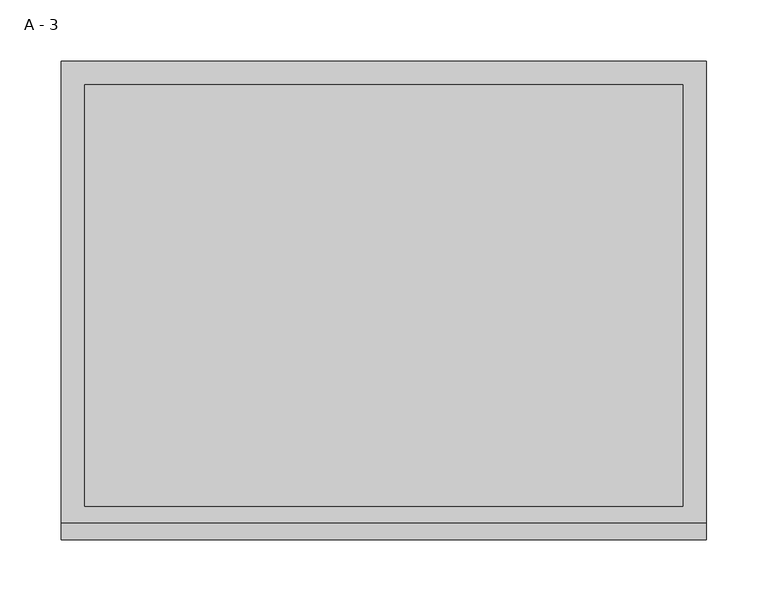
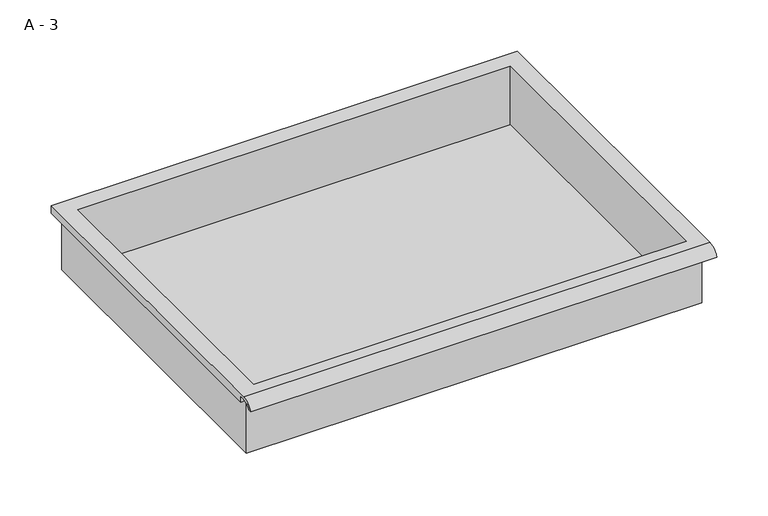
"""IFC4 building model written with IfcOpenShell, lengths in millimetres: furniture geometry, A - 3."""

from ifc_helpers import new_model, si_unit, frame, origin, place, context, project, spatial, polyline, circle_curve, source, transform, mapped, element, save
from ifc_brep_helpers import plane_surface, cylinder_surface, revolved_surface, advanced_brep


def a_3_d449bd23(model_context):
    return source(origin(), model_context, "Body", "AdvancedBrep", [
        advanced_brep(
        [(-257.1076517, -176.2125, 825.4111), (257.2423483, -176.2125, 825.4111), (257.2423483, -176.2125, 888.9111), (263.5923483, -176.2125, 888.9111), (263.5923483, -176.2125, 895.2182341), (-263.4576517, -176.2125, 895.2182341), (-263.4576517, -176.2125, 888.9111), (-257.1076517, -176.2125, 888.9111), (257.2423483, 185.7375, 825.4111), (-257.1076517, 185.7375, 825.4111), (-257.1076517, 185.7375, 888.9111), (257.2423483, 185.7375, 888.9111), (263.5923483, -181.6070544, 898.4361), (263.5923483, 195.2625, 898.4361), (-263.4576517, 195.2625, 898.4361), (-263.4576517, -181.6070544, 898.4361), (244.5423483, -168.275, 898.4361), (-244.4076517, -168.275, 898.4361), (-244.4076517, 176.2125, 898.4361), (244.5423483, 176.2125, 898.4361), (263.5923483, -195.2625, 888.9111), (263.5923483, -191.8280601, 888.9111), (263.5923483, -180.4714815, 895.2182341), (263.5923483, 195.2625, 888.9111), (-263.4576517, 195.2625, 888.9111), (-263.4576517, -180.4714815, 895.2182341), (-263.4576517, -191.8280601, 888.9111), (-263.4576517, -195.2625, 888.9111), (-244.4076517, -168.275, 828.4372719), (244.5423483, -168.275, 828.4372719), (244.5423483, 176.2125, 828.4372719), (-244.4076517, 176.2125, 828.4372719)],
        [
            (0, 1),
            (1, 2),
            (2, 3),
            (3, 4),
            (4, 5),
            (5, 6),
            (6, 7),
            (7, 0),
            (8, 9),
            (9, 10),
            (10, 11),
            (11, 8),
            (0, 9),
            (8, 1),
            (11, 2),
            (12, 13),
            (13, 14),
            (14, 15),
            (15, 12),
            (16, 17),
            (17, 18),
            (18, 19),
            (19, 16),
            (7, 10),
            (12, 20, circle_curve(frame((263.5923483, -181.6070544, 883.8850859), z_axis=(1.0, 0.0, 0.0), x_axis=(0.0, 1.0, 0.0)), 14.5510141)),
            (20, 21),
            (21, 22, circle_curve(frame((263.5923483, -181.6070544, 883.8850859), z_axis=(-1.0, 0.0, 0.0), x_axis=(0.0, 1.0, 0.0)), 11.3898979)),
            (22, 4),
            (3, 23),
            (23, 13),
            (14, 24),
            (24, 6),
            (5, 25),
            (25, 26, circle_curve(frame((-263.4576517, -181.6070544, 883.8850859), z_axis=(1.0, 0.0, 0.0), x_axis=(0.0, 1.0, 0.0)), 11.3898979)),
            (26, 27),
            (27, 15, circle_curve(frame((-263.4576517, -181.6070544, 883.8850859), z_axis=(-1.0, 0.0, 0.0), x_axis=(0.0, 1.0, 0.0)), 14.5510141)),
            (27, 20),
            (26, 21),
            (25, 22),
            (24, 23),
            (28, 29),
            (29, 30),
            (30, 31),
            (31, 28),
            (28, 17),
            (16, 29),
            (19, 30),
            (18, 31),
        ],
        [
            plane_surface(frame((257.2423483, -176.2125, 825.4111), z_axis=(0.0, -1.0, 0.0), x_axis=(1.0, 0.0, 0.0))),
            plane_surface(frame((257.2423483, 185.7375, 825.4111), z_axis=(0.0, 1.0, 0.0), x_axis=(-1.0, 0.0, 0.0))),
            plane_surface(frame((-257.1076517, -176.2125, 825.4111), z_axis=(0.0, 0.0, -1.0), x_axis=(0.0, 1.0, 0.0))),
            plane_surface(frame((257.2423483, -176.2125, 825.4111), z_axis=(1.0, 0.0, 0.0), x_axis=(0.0, 1.0, 0.0))),
            plane_surface(frame((257.2423483, -176.2125, 898.4361), z_axis=(0.0, 0.0, 1.0), x_axis=(0.0, 1.0, 0.0))),
            plane_surface(frame((-257.1076517, -176.2125, 898.4361), z_axis=(-1.0, 0.0, 0.0), x_axis=(0.0, 1.0, 0.0))),
            plane_surface(frame((263.5923483, 195.2625, 898.4361), z_axis=(1.0, 0.0, 0.0), x_axis=(0.0, -1.0, 0.0))),
            plane_surface(frame((-263.4576517, 195.2625, 898.4361), z_axis=(-1.0, 0.0, 0.0), x_axis=(0.0, 1.0, 0.0))),
            cylinder_surface(frame((-263.4576517, -181.6070544, 883.8850859), z_axis=(1.0, 0.0, 0.0), x_axis=(0.0, 1.0, 0.0)), 14.5510141),
            plane_surface(frame((263.5923483, -195.2625, 888.9111), z_axis=(0.0, -7.251821180146202e-12, -1.0), x_axis=(-1.0, 0.0, 0.0))),
            revolved_surface(polyline([(-263.4576517, -170.21715650000002, 883.8850859), (263.59234829999997, -170.21715650000002, 883.8850859)]), (-263.4576517, -181.6070544, 883.8850859), (-1.0, 0.0, 0.0)),
            plane_surface(frame((263.5923483, -180.4714815, 895.2182341), z_axis=(0.0, -1.7956755870570704e-11, -1.0), x_axis=(-1.0, 0.0, 0.0))),
            plane_surface(frame((263.5923483, -176.2125, 888.9111), z_axis=(0.0, 0.0, -1.0), x_axis=(-1.0, 0.0, 0.0))),
            plane_surface(frame((263.5923483, 195.2625, 888.9111), z_axis=(0.0, 1.0, 0.0), x_axis=(-1.0, 0.0, 0.0))),
            plane_surface(frame((244.5423483, -168.275, 828.4372719), z_axis=(0.0, 0.0, 1.0), x_axis=(-1.0, 0.0, 0.0))),
            plane_surface(frame((-244.4076517, -168.275, 898.4361), z_axis=(0.0, 1.0, 0.0), x_axis=(0.0, 0.0, -1.0))),
            plane_surface(frame((244.5423483, -168.275, 898.4361), z_axis=(-1.0, 0.0, 0.0), x_axis=(0.0, 0.0, -1.0))),
            plane_surface(frame((244.5423483, 176.2125, 898.4361), z_axis=(0.0, -1.0, 0.0), x_axis=(0.0, 0.0, -1.0))),
            plane_surface(frame((-244.4076517, 176.2125, 898.4361), z_axis=(1.0, 0.0, 0.0), x_axis=(0.0, 0.0, -1.0))),
        ],
        [
            (0, [[1, 2, 3, 4, 5, 6, 7, 8]]),
            (1, [[9, 10, 11, 12]]),
            (2, [[-1, 13, -9, 14]]),
            (3, [[-14, -12, 15, -2]]),
            (4, [[16, 17, 18, 19], [20, 21, 22, 23]]),
            (5, [[-13, -8, 24, -10]]),
            (6, [[-16, 25, 26, 27, 28, -4, 29, 30]]),
            (7, [[31, 32, -6, 33, 34, 35, 36, -18]]),
            (8, [[-25, -19, -36, 37]]),
            (9, [[-26, -37, -35, 38]]),
            (10, [[-27, -38, -34, 39]]),
            (11, [[-28, -39, -33, -5]]),
            (12, [[-29, -3, -15, -11, -24, -7, -32, 40]]),
            (13, [[-30, -40, -31, -17]]),
            (14, [[41, 42, 43, 44]]),
            (15, [[-41, 45, -20, 46]]),
            (16, [[-42, -46, -23, 47]]),
            (17, [[-43, -47, -22, 48]]),
            (18, [[-44, -48, -21, -45]]),
        ],
    ),
    ])


if __name__ == "__main__":
    model = new_model("IFC4")
    model_context = context("Model", 3, world=origin())
    ifc_project = project(units=[si_unit("LENGTHUNIT", "METRE", prefix="MILLI")], contexts=[model_context])
    site = spatial("IfcSite", under=ifc_project)
    building = spatial("IfcBuilding", under=site)
    placement = place(None, origin())
    a_3_shape = a_3_d449bd23(model_context)
    element("IfcFurniture", 1, ObjectType="A - 3", at=placement, inside=building, context=model_context, shape_type="MappedRepresentation", body=[
        mapped(a_3_shape, transform((0.0, 0.0, 0.0), x_axis=(1.0, 0.0, 0.0), y_axis=(0.0, 1.0, 0.0), z_axis=(0.0, 0.0, 1.0))),
    ])
    save(model, "model.ifc")
